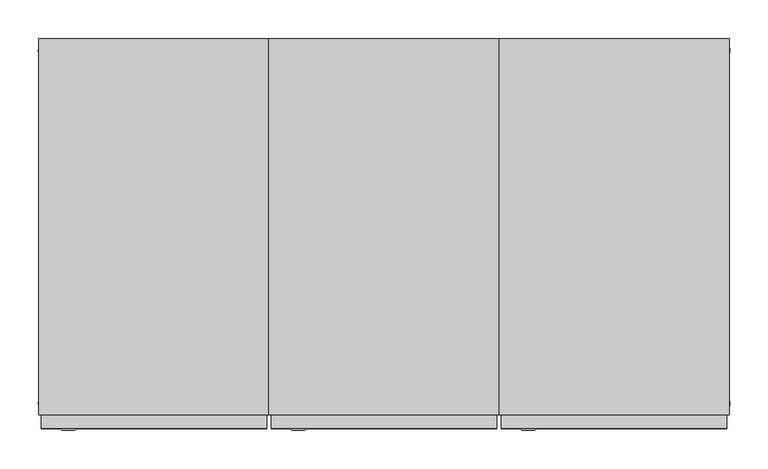
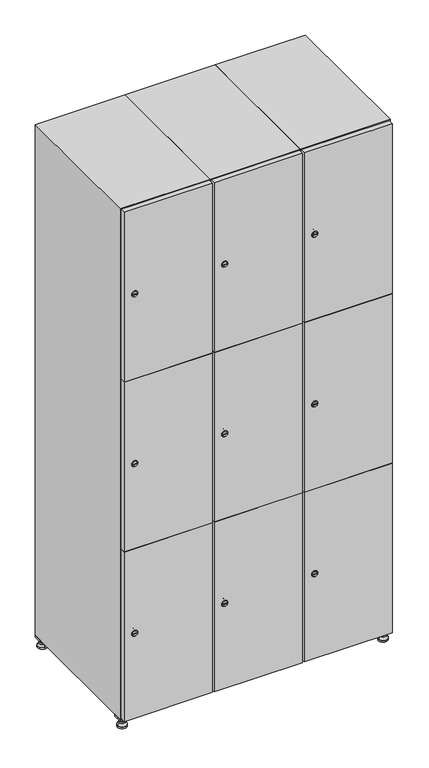
"""IFC4 building model written with IfcOpenShell, lengths in millimetres: furniture geometry."""

from ifc_helpers import new_model, si_unit, point, frame, frame_2d, origin, origin_with_axes, place, context, project, spatial, polyline, circle_curve, trimmed, segment, composite_curve, outline, extrude, faceted_brep, source, transform, mapped, element, save
from ifc_brep_helpers import plane_surface, revolved_surface, advanced_brep


def furniture_04946caf(model_context):
    return source(origin(), model_context, "Body", "SolidModel", [
        extrude(outline(polyline([(700.0, 245.0), (700.0, 215.0), (670.0, 215.0), (670.0, 245.0), (700.0, 245.0)]), holes=[polyline([(698.0, 243.0), (672.0, 243.0), (672.0, 217.0), (698.0, 217.0), (698.0, 243.0)])]), frame((0.0, 0.0, 28.5), z_axis=(0.0, 0.0, 1.0), x_axis=(1.0, 0.0, 0.0)), (0.0, 0.0, 1.0), 6.5),
        extrude(outline(polyline([(670.0, -245.0), (670.0, -215.0), (700.0, -215.0), (700.0, -245.0), (670.0, -245.0)]), holes=[polyline([(672.0, -243.0), (698.0, -243.0), (698.0, -217.0), (672.0, -217.0), (672.0, -243.0)])]), frame((0.0, 0.0, 28.5), z_axis=(0.0, 0.0, 1.0), x_axis=(1.0, 0.0, 0.0)), (0.0, 0.0, 1.0), 6.5),
        extrude(outline(polyline([(-170.0, 245.0), (-170.0, 215.0), (-200.0, 215.0), (-200.0, 245.0), (-170.0, 245.0)]), holes=[polyline([(-172.0, 243.0), (-198.0, 243.0), (-198.0, 217.0), (-172.0, 217.0), (-172.0, 243.0)])]), frame((0.0, 0.0, 28.5), z_axis=(0.0, 0.0, 1.0), x_axis=(1.0, 0.0, 0.0)), (0.0, 0.0, 1.0), 6.5),
        extrude(outline(polyline([(-170.0, -215.0), (-170.0, -245.0), (-200.0, -245.0), (-200.0, -215.0), (-170.0, -215.0)]), holes=[polyline([(-198.0, -243.0), (-172.0, -243.0), (-172.0, -217.0), (-198.0, -217.0), (-198.0, -243.0)])]), frame((0.0, 0.0, 28.5), z_axis=(0.0, 0.0, 1.0), x_axis=(1.0, 0.0, 0.0)), (0.0, 0.0, 1.0), 6.5),
        extrude(outline(composite_curve([segment(trimmed(circle_curve(frame_2d((-185.0, 230.0)), 5.0), [point((-180.0, 230.0))], [point((-190.0, 230.0))], False, "CARTESIAN"), True, "CONTINUOUS"), segment(trimmed(circle_curve(frame_2d((-185.0, 230.0)), 5.0), [point((-190.0, 230.0))], [point((-180.0, 230.0))], False, "CARTESIAN"), True, "CONTINUOUS")], self_intersect=False)), frame((0.0, 0.0, 19.6), z_axis=(0.0, 0.0, 1.0), x_axis=(1.0, 0.0, 0.0)), (0.0, 0.0, 1.0), 15.4),
        extrude(outline(composite_curve([segment(trimmed(circle_curve(frame_2d((-185.0, -230.0)), 5.0), [point((-180.0, -230.0))], [point((-190.0, -230.0))], False, "CARTESIAN"), True, "CONTINUOUS"), segment(trimmed(circle_curve(frame_2d((-185.0, -230.0)), 5.0), [point((-190.0, -230.0))], [point((-180.0, -230.0))], False, "CARTESIAN"), True, "CONTINUOUS")], self_intersect=False)), frame((0.0, 0.0, 19.6), z_axis=(0.0, 0.0, 1.0), x_axis=(1.0, 0.0, 0.0)), (0.0, 0.0, 1.0), 15.4),
        extrude(outline(composite_curve([segment(trimmed(circle_curve(frame_2d((685.0, 230.0)), 5.0), [point((690.0, 230.0))], [point((680.0, 230.0))], False, "CARTESIAN"), True, "CONTINUOUS"), segment(trimmed(circle_curve(frame_2d((685.0, 230.0)), 5.0), [point((680.0, 230.0))], [point((690.0, 230.0))], False, "CARTESIAN"), True, "CONTINUOUS")], self_intersect=False)), frame((0.0, 0.0, 19.6), z_axis=(0.0, 0.0, 1.0), x_axis=(1.0, 0.0, 0.0)), (0.0, 0.0, 1.0), 15.4),
        extrude(outline(polyline([(673.4529946, 230.0), (679.2264973, 240.0), (690.7735027, 240.0), (696.5470054, 230.0), (690.7735027, 220.0), (679.2264973, 220.0), (673.4529946, 230.0)])), frame((0.0, 0.0, 13.6), z_axis=(0.0, 0.0, 1.0), x_axis=(1.0, 0.0, 0.0)), (0.0, 0.0, 1.0), 6.0),
        extrude(outline(composite_curve([segment(trimmed(circle_curve(frame_2d((685.0, -230.0)), 5.0), [point((690.0, -230.0))], [point((680.0, -230.0))], False, "CARTESIAN"), True, "CONTINUOUS"), segment(trimmed(circle_curve(frame_2d((685.0, -230.0)), 5.0), [point((680.0, -230.0))], [point((690.0, -230.0))], False, "CARTESIAN"), True, "CONTINUOUS")], self_intersect=False)), frame((0.0, 0.0, 19.6), z_axis=(0.0, 0.0, 1.0), x_axis=(1.0, 0.0, 0.0)), (0.0, 0.0, 1.0), 15.4),
        extrude(outline(polyline([(673.4529946, -230.0), (679.2264973, -220.0), (690.7735027, -220.0), (696.5470054, -230.0), (690.7735027, -240.0), (679.2264973, -240.0), (673.4529946, -230.0)])), frame((0.0, 0.0, 13.6), z_axis=(0.0, 0.0, 1.0), x_axis=(1.0, 0.0, 0.0)), (0.0, 0.0, 1.0), 6.0),
        extrude(outline(composite_curve([segment(trimmed(circle_curve(frame_2d((685.0, 230.0)), 5.0), [point((690.0, 230.0))], [point((680.0, 230.0))], False, "CARTESIAN"), True, "CONTINUOUS"), segment(trimmed(circle_curve(frame_2d((685.0, 230.0)), 5.0), [point((680.0, 230.0))], [point((690.0, 230.0))], False, "CARTESIAN"), True, "CONTINUOUS")], self_intersect=False)), frame((0.0, 0.0, 12.1), z_axis=(0.0, 0.0, 1.0), x_axis=(1.0, 0.0, 0.0)), (0.0, 0.0, 1.0), 1.5),
        extrude(outline(composite_curve([segment(trimmed(circle_curve(frame_2d((685.0, -230.0)), 5.0), [point((690.0, -230.0))], [point((680.0, -230.0))], False, "CARTESIAN"), True, "CONTINUOUS"), segment(trimmed(circle_curve(frame_2d((685.0, -230.0)), 5.0), [point((680.0, -230.0))], [point((690.0, -230.0))], False, "CARTESIAN"), True, "CONTINUOUS")], self_intersect=False)), frame((0.0, 0.0, 12.1), z_axis=(0.0, 0.0, 1.0), x_axis=(1.0, 0.0, 0.0)), (0.0, 0.0, 1.0), 1.5),
        extrude(outline(polyline([(-196.5470054, 230.0), (-190.7735027, 240.0), (-179.2264973, 240.0), (-173.4529946, 230.0), (-179.2264973, 220.0), (-190.7735027, 220.0), (-196.5470054, 230.0)])), frame((0.0, 0.0, 13.6), z_axis=(0.0, 0.0, 1.0), x_axis=(1.0, 0.0, 0.0)), (0.0, 0.0, 1.0), 6.0),
        extrude(outline(polyline([(-196.5470054, -230.0), (-190.7735027, -220.0), (-179.2264973, -220.0), (-173.4529946, -230.0), (-179.2264973, -240.0), (-190.7735027, -240.0), (-196.5470054, -230.0)])), frame((0.0, 0.0, 13.6), z_axis=(0.0, 0.0, 1.0), x_axis=(1.0, 0.0, 0.0)), (0.0, 0.0, 1.0), 6.0),
        extrude(outline(composite_curve([segment(trimmed(circle_curve(frame_2d((-185.0, 230.0)), 5.0), [point((-185.0, 235.0))], [point((-185.0, 225.0))], False, "CARTESIAN"), True, "CONTINUOUS"), segment(trimmed(circle_curve(frame_2d((-185.0, 230.0)), 5.0), [point((-185.0, 225.0))], [point((-185.0, 235.0))], False, "CARTESIAN"), True, "CONTINUOUS")], self_intersect=False)), frame((0.0, 0.0, 12.1), z_axis=(0.0, 0.0, 1.0), x_axis=(1.0, 0.0, 0.0)), (0.0, 0.0, 1.0), 1.5),
        extrude(outline(composite_curve([segment(trimmed(circle_curve(frame_2d((-185.0, -230.0)), 5.0), [point((-180.0, -230.0))], [point((-190.0, -230.0))], False, "CARTESIAN"), True, "CONTINUOUS"), segment(trimmed(circle_curve(frame_2d((-185.0, -230.0)), 5.0), [point((-190.0, -230.0))], [point((-180.0, -230.0))], False, "CARTESIAN"), True, "CONTINUOUS")], self_intersect=False)), frame((0.0, 0.0, 12.1), z_axis=(0.0, 0.0, 1.0), x_axis=(1.0, 0.0, 0.0)), (0.0, 0.0, 1.0), 1.5),
        extrude(outline(composite_curve([segment(trimmed(circle_curve(frame_2d((685.0, 230.0)), 15.75), [point((700.75, 230.0))], [point((669.25, 230.0))], False, "CARTESIAN"), True, "CONTINUOUS"), segment(trimmed(circle_curve(frame_2d((685.0, 230.0)), 15.75), [point((669.25, 230.0))], [point((700.75, 230.0))], False, "CARTESIAN"), True, "CONTINUOUS")], self_intersect=False)), origin_with_axes(), (0.0, 0.0, 1.0), 5.1),
        extrude(outline(composite_curve([segment(trimmed(circle_curve(frame_2d((685.0, -230.0)), 15.75), [point((685.0, -214.25))], [point((685.0, -245.75))], False, "CARTESIAN"), True, "CONTINUOUS"), segment(trimmed(circle_curve(frame_2d((685.0, -230.0)), 15.75), [point((685.0, -245.75))], [point((685.0, -214.25))], False, "CARTESIAN"), True, "CONTINUOUS")], self_intersect=False)), origin_with_axes(), (0.0, 0.0, 1.0), 5.1),
        extrude(outline(composite_curve([segment(trimmed(circle_curve(frame_2d((-185.0, -230.0)), 15.75), [point((-169.25, -230.0))], [point((-200.75, -230.0))], False, "CARTESIAN"), True, "CONTINUOUS"), segment(trimmed(circle_curve(frame_2d((-185.0, -230.0)), 15.75), [point((-200.75, -230.0))], [point((-169.25, -230.0))], False, "CARTESIAN"), True, "CONTINUOUS")], self_intersect=False)), origin_with_axes(), (0.0, 0.0, 1.0), 5.1),
        extrude(outline(composite_curve([segment(trimmed(circle_curve(frame_2d((-185.0, 230.0)), 15.75), [point((-169.25, 230.0))], [point((-200.75, 230.0))], False, "CARTESIAN"), True, "CONTINUOUS"), segment(trimmed(circle_curve(frame_2d((-185.0, 230.0)), 15.75), [point((-200.75, 230.0))], [point((-169.25, 230.0))], False, "CARTESIAN"), True, "CONTINUOUS")], self_intersect=False)), origin_with_axes(), (0.0, 0.0, 1.0), 5.1),
        advanced_brep(
        [(-185.0, 239.5, 12.1), (-185.0, 220.5, 12.1), (-185.0, 214.25, 5.1), (-185.0, 245.75, 5.1)],
        [
            (0, 1, circle_curve(frame((-185.0, 230.0, 12.1), z_axis=(0.0, 0.0, -1.0), x_axis=(0.0, 1.0, 0.0)), 9.5)),
            (1, 2),
            (2, 3, circle_curve(frame((-185.0, 230.0, 5.1), z_axis=(0.0, 0.0, 1.0), x_axis=(0.0, 1.0, 0.0)), 15.75)),
            (3, 0),
            (1, 0, circle_curve(frame((-185.0, 230.0, 12.1), z_axis=(0.0, 0.0, -1.0), x_axis=(0.0, -1.0, 0.0)), 9.5)),
            (3, 2, circle_curve(frame((-185.0, 230.0, 5.1), z_axis=(0.0, 0.0, 1.0), x_axis=(0.0, -1.0, 0.0)), 15.75)),
        ],
        [
            revolved_surface(polyline([(-185.0, 220.5, 12.099999999999998), (-185.0, 214.25, 5.099999999999998)]), (-185.0, 230.0, 22.74), (0.0, 0.0, -1.0)),
            revolved_surface(polyline([(-185.0, 239.5, 12.099999999999998), (-185.0, 245.75, 5.099999999999998)]), (-185.0, 230.0, 22.74), (0.0, 0.0, -1.0)),
            plane_surface(frame((-185.0, 230.0, 5.1), z_axis=(0.0, 0.0, -1.0), x_axis=(1.0, 0.0, 0.0))),
            plane_surface(frame((-185.0, 230.0, 12.1), z_axis=(0.0, 0.0, 1.0), x_axis=(1.0, 0.0, 0.0))),
        ],
        [
            (0, [[1, 2, 3, 4]]),
            (1, [[5, -4, 6, -2]]),
            (2, [[-3, -6]]),
            (3, [[-5, -1]]),
        ],
    ),
        advanced_brep(
        [(685.0, 239.5, 12.1), (685.0, 220.5, 12.1), (685.0, 214.25, 5.1), (685.0, 245.75, 5.1)],
        [
            (0, 1, circle_curve(frame((685.0, 230.0, 12.1), z_axis=(0.0, 0.0, -1.0), x_axis=(0.0, 1.0, 0.0)), 9.5)),
            (1, 2),
            (2, 3, circle_curve(frame((685.0, 230.0, 5.1), z_axis=(0.0, 0.0, 1.0), x_axis=(0.0, 1.0, 0.0)), 15.75)),
            (3, 0),
            (1, 0, circle_curve(frame((685.0, 230.0, 12.1), z_axis=(0.0, 0.0, -1.0), x_axis=(0.0, -1.0, 0.0)), 9.5)),
            (3, 2, circle_curve(frame((685.0, 230.0, 5.1), z_axis=(0.0, 0.0, 1.0), x_axis=(0.0, -1.0, 0.0)), 15.75)),
        ],
        [
            revolved_surface(polyline([(685.0, 220.5, 12.099999999999998), (685.0, 214.25, 5.099999999999998)]), (685.0, 230.0, 22.74), (0.0, 0.0, -1.0)),
            revolved_surface(polyline([(685.0, 239.5, 12.099999999999998), (685.0, 245.75, 5.099999999999998)]), (685.0, 230.0, 22.74), (0.0, 0.0, -1.0)),
            plane_surface(frame((685.0, 230.0, 5.1), z_axis=(0.0, 0.0, -1.0), x_axis=(1.0, 0.0, 0.0))),
            plane_surface(frame((685.0, 230.0, 12.1), z_axis=(0.0, 0.0, 1.0), x_axis=(1.0, 0.0, 0.0))),
        ],
        [
            (0, [[1, 2, 3, 4]]),
            (1, [[5, -4, 6, -2]]),
            (2, [[-3, -6]]),
            (3, [[-5, -1]]),
        ],
    ),
        advanced_brep(
        [(700.75, -230.0, 5.1), (669.25, -230.0, 5.1), (675.5, -230.0, 12.1), (694.5, -230.0, 12.1)],
        [
            (0, 1, circle_curve(frame((685.0, -230.0, 5.1), z_axis=(0.0, 0.0, 1.0), x_axis=(1.0, 0.0, 0.0)), 15.75)),
            (1, 2),
            (2, 3, circle_curve(frame((685.0, -230.0, 12.1), z_axis=(0.0, 0.0, -1.0), x_axis=(1.0, 0.0, 0.0)), 9.5)),
            (3, 0),
            (1, 0, circle_curve(frame((685.0, -230.0, 5.1), z_axis=(0.0, 0.0, 1.0), x_axis=(-1.0, 0.0, 0.0)), 15.75)),
            (3, 2, circle_curve(frame((685.0, -230.0, 12.1), z_axis=(0.0, 0.0, -1.0), x_axis=(-1.0, 0.0, 0.0)), 9.5)),
        ],
        [
            revolved_surface(polyline([(694.5, -230.0, 12.099999999999998), (700.75, -230.0, 5.099999999999998)]), (685.0, -230.0, 22.74), (0.0, 0.0, -1.0)),
            revolved_surface(polyline([(675.5, -230.0, 12.099999999999998), (669.25, -230.0, 5.099999999999998)]), (685.0, -230.0, 22.74), (0.0, 0.0, -1.0)),
            plane_surface(frame((685.0, -230.0, 12.1), z_axis=(0.0, 0.0, 1.0), x_axis=(0.0, 1.0, 0.0))),
            plane_surface(frame((685.0, -230.0, 5.1), z_axis=(0.0, 0.0, -1.0), x_axis=(0.0, 1.0, 0.0))),
        ],
        [
            (0, [[1, 2, 3, 4]]),
            (1, [[5, -4, 6, -2]]),
            (2, [[-3, -6]]),
            (3, [[-5, -1]]),
        ],
    ),
        advanced_brep(
        [(-169.25, -230.0, 5.1), (-200.75, -230.0, 5.1), (-194.5, -230.0, 12.1), (-175.5, -230.0, 12.1)],
        [
            (0, 1, circle_curve(frame((-185.0, -230.0, 5.1), z_axis=(0.0, 0.0, 1.0), x_axis=(1.0, 0.0, 0.0)), 15.75)),
            (1, 2),
            (2, 3, circle_curve(frame((-185.0, -230.0, 12.1), z_axis=(0.0, 0.0, -1.0), x_axis=(1.0, 0.0, 0.0)), 9.5)),
            (3, 0),
            (1, 0, circle_curve(frame((-185.0, -230.0, 5.1), z_axis=(0.0, 0.0, 1.0), x_axis=(-1.0, 0.0, 0.0)), 15.75)),
            (3, 2, circle_curve(frame((-185.0, -230.0, 12.1), z_axis=(0.0, 0.0, -1.0), x_axis=(-1.0, 0.0, 0.0)), 9.5)),
        ],
        [
            revolved_surface(polyline([(-175.5, -230.0, 12.099999999999998), (-169.25, -230.0, 5.099999999999998)]), (-185.0, -230.0, 22.74), (0.0, 0.0, -1.0)),
            revolved_surface(polyline([(-194.5, -230.0, 12.099999999999998), (-200.75, -230.0, 5.099999999999998)]), (-185.0, -230.0, 22.74), (0.0, 0.0, -1.0)),
            plane_surface(frame((-185.0, -230.0, 12.1), z_axis=(0.0, 0.0, 1.0), x_axis=(0.0, 1.0, 0.0))),
            plane_surface(frame((-185.0, -230.0, 5.1), z_axis=(0.0, 0.0, -1.0), x_axis=(0.0, 1.0, 0.0))),
        ],
        [
            (0, [[1, 2, 3, 4]]),
            (1, [[5, -4, 6, -2]]),
            (2, [[-3, -6]]),
            (3, [[-5, -1]]),
        ],
    ),
        extrude(outline(composite_curve([segment(trimmed(circle_curve(frame_2d((337.0, 411.2010534)), 7.0), [point((344.0, 411.2010534))], [point((330.0, 411.2010534))], False, "CARTESIAN"), True, "CONTINUOUS"), segment(polyline([(330.0, 411.2010534), (330.0, 439.2010534)]), True, "CONTINUOUS"), segment(trimmed(circle_curve(frame_2d((337.0, 439.2010534)), 7.0), [point((330.0, 439.2010534))], [point((344.0, 439.2010534))], False, "CARTESIAN"), True, "CONTINUOUS"), segment(polyline([(344.0, 439.2010534), (344.0, 411.2010534)]), True, "CONTINUOUS")], self_intersect=False)), frame((0.0, -245.0, 0.0), z_axis=(0.0, 1.0, 0.0), x_axis=(0.0, 0.0, 1.0)), (0.0, 0.0, 1.0), 2.0),
        advanced_brep(
        [(446.5, -265.2, 337.0), (429.5, -265.2, 337.0), (433.0, -265.2, 335.75), (433.0, -265.2, 338.25), (443.0, -265.2, 338.25), (443.0, -265.2, 335.75), (448.5, -263.0, 337.0), (427.5, -263.0, 337.0), (433.0, -263.0, 338.25), (433.0, -263.0, 335.75), (443.0, -263.0, 335.75), (443.0, -263.0, 338.25)],
        [
            (0, 1, circle_curve(frame((438.0, -265.2, 337.0), z_axis=(0.0, -1.0, 0.0), x_axis=(1.0, 0.0, 0.0)), 8.5)),
            (1, 0, circle_curve(frame((438.0, -265.2, 337.0), z_axis=(0.0, -1.0, 0.0), x_axis=(-1.0, 0.0, 0.0)), 8.5)),
            (2, 3),
            (3, 4),
            (4, 5),
            (5, 2),
            (6, 7, circle_curve(frame((438.0, -263.0, 337.0), z_axis=(0.0, 1.0, 0.0), x_axis=(-1.0, 0.0, 0.0)), 10.5)),
            (7, 6, circle_curve(frame((438.0, -263.0, 337.0), z_axis=(0.0, 1.0, 0.0), x_axis=(1.0, 0.0, 0.0)), 10.5)),
            (8, 9),
            (9, 10),
            (10, 11),
            (11, 8),
            (0, 6),
            (7, 1),
            (8, 3),
            (2, 9),
            (11, 4),
            (10, 5),
        ],
        [
            plane_surface(frame((438.0, -265.2, 337.0), z_axis=(0.0, -1.0, 0.0), x_axis=(0.0, 0.0, 1.0))),
            plane_surface(frame((438.0, -263.0, 337.0), z_axis=(0.0, 1.0, 0.0), x_axis=(0.0, 0.0, 1.0))),
            revolved_surface(polyline([(446.5, -265.2, 337.0), (448.5, -263.0, 337.0)]), (438.0, -274.55, 337.0), (0.0, 1.0, 0.0)),
            revolved_surface(polyline([(429.5, -265.2, 337.0), (427.5, -263.0, 337.0)]), (438.0, -274.55, 337.0), (0.0, 1.0, 0.0)),
            plane_surface(frame((433.0, -263.0, 335.75), z_axis=(1.0, 0.0, 0.0), x_axis=(0.0, -1.0, 0.0))),
            plane_surface(frame((433.0, -263.0, 338.25), z_axis=(0.0, 0.0, -1.0), x_axis=(0.0, -1.0, 0.0))),
            plane_surface(frame((443.0, -263.0, 338.25), z_axis=(-1.0, 0.0, 0.0), x_axis=(0.0, -1.0, 0.0))),
            plane_surface(frame((443.0, -263.0, 335.75), z_axis=(0.0, 0.0, 1.0), x_axis=(0.0, -1.0, 0.0))),
        ],
        [
            (0, [[1, 2], [3, 4, 5, 6]]),
            (1, [[7, 8], [9, 10, 11, 12]]),
            (2, [[-1, 13, -8, 14]]),
            (3, [[-2, -14, -7, -13]]),
            (4, [[15, -3, 16, -9]]),
            (5, [[-15, -12, 17, -4]]),
            (6, [[-17, -11, 18, -5]]),
            (7, [[-16, -6, -18, -10]]),
        ],
    ),
        extrude(outline(composite_curve([segment(trimmed(circle_curve(frame_2d((935.0, 411.2010534)), 7.0), [point((942.0, 411.2010534))], [point((928.0, 411.2010534))], False, "CARTESIAN"), True, "CONTINUOUS"), segment(polyline([(928.0, 411.2010534), (928.0, 439.2010534)]), True, "CONTINUOUS"), segment(trimmed(circle_curve(frame_2d((935.0, 439.2010534)), 7.0), [point((928.0, 439.2010534))], [point((942.0, 439.2010534))], False, "CARTESIAN"), True, "CONTINUOUS"), segment(polyline([(942.0, 439.2010534), (942.0, 411.2010534)]), True, "CONTINUOUS")], self_intersect=False)), frame((0.0, -245.0, 0.0), z_axis=(0.0, 1.0, 0.0), x_axis=(0.0, 0.0, 1.0)), (0.0, 0.0, 1.0), 2.0),
        advanced_brep(
        [(446.5, -265.2, 935.0), (429.5, -265.2, 935.0), (433.0, -265.2, 933.75), (433.0, -265.2, 936.25), (443.0, -265.2, 936.25), (443.0, -265.2, 933.75), (448.5, -263.0, 935.0), (427.5, -263.0, 935.0), (433.0, -263.0, 936.25), (433.0, -263.0, 933.75), (443.0, -263.0, 933.75), (443.0, -263.0, 936.25)],
        [
            (0, 1, circle_curve(frame((438.0, -265.2, 935.0), z_axis=(0.0, -1.0, 0.0), x_axis=(1.0, 0.0, 0.0)), 8.5)),
            (1, 0, circle_curve(frame((438.0, -265.2, 935.0), z_axis=(0.0, -1.0, 0.0), x_axis=(-1.0, 0.0, 0.0)), 8.5)),
            (2, 3),
            (3, 4),
            (4, 5),
            (5, 2),
            (6, 7, circle_curve(frame((438.0, -263.0, 935.0), z_axis=(0.0, 1.0, 0.0), x_axis=(-1.0, 0.0, 0.0)), 10.5)),
            (7, 6, circle_curve(frame((438.0, -263.0, 935.0), z_axis=(0.0, 1.0, 0.0), x_axis=(1.0, 0.0, 0.0)), 10.5)),
            (8, 9),
            (9, 10),
            (10, 11),
            (11, 8),
            (0, 6),
            (7, 1),
            (8, 3),
            (2, 9),
            (11, 4),
            (10, 5),
        ],
        [
            plane_surface(frame((438.0, -265.2, 935.0), z_axis=(0.0, -1.0, 0.0), x_axis=(0.0, 0.0, 1.0))),
            plane_surface(frame((438.0, -263.0, 935.0), z_axis=(0.0, 1.0, 0.0), x_axis=(0.0, 0.0, 1.0))),
            revolved_surface(polyline([(446.5, -265.2, 935.0), (448.5, -263.0, 935.0)]), (438.0, -274.55, 935.0), (0.0, 1.0, 0.0)),
            revolved_surface(polyline([(429.5, -265.2, 935.0), (427.5, -263.0, 935.0)]), (438.0, -274.55, 935.0), (0.0, 1.0, 0.0)),
            plane_surface(frame((433.0, -263.0, 933.75), z_axis=(1.0, 0.0, 0.0), x_axis=(0.0, -1.0, 0.0))),
            plane_surface(frame((433.0, -263.0, 936.25), z_axis=(0.0, 0.0, -1.0), x_axis=(0.0, -1.0, 0.0))),
            plane_surface(frame((443.0, -263.0, 936.25), z_axis=(-1.0, 0.0, 0.0), x_axis=(0.0, -1.0, 0.0))),
            plane_surface(frame((443.0, -263.0, 933.75), z_axis=(0.0, 0.0, 1.0), x_axis=(0.0, -1.0, 0.0))),
        ],
        [
            (0, [[1, 2], [3, 4, 5, 6]]),
            (1, [[7, 8], [9, 10, 11, 12]]),
            (2, [[-1, 13, -8, 14]]),
            (3, [[-2, -14, -7, -13]]),
            (4, [[15, -3, 16, -9]]),
            (5, [[-15, -12, 17, -4]]),
            (6, [[-17, -11, 18, -5]]),
            (7, [[-16, -6, -18, -10]]),
        ],
    ),
        extrude(outline(composite_curve([segment(trimmed(circle_curve(frame_2d((1533.0, 411.2010534)), 7.0), [point((1540.0, 411.2010534))], [point((1526.0, 411.2010534))], False, "CARTESIAN"), True, "CONTINUOUS"), segment(polyline([(1526.0, 411.2010534), (1526.0, 439.2010534)]), True, "CONTINUOUS"), segment(trimmed(circle_curve(frame_2d((1533.0, 439.2010534)), 7.0), [point((1526.0, 439.2010534))], [point((1540.0, 439.2010534))], False, "CARTESIAN"), True, "CONTINUOUS"), segment(polyline([(1540.0, 439.2010534), (1540.0, 411.2010534)]), True, "CONTINUOUS")], self_intersect=False)), frame((0.0, -245.0, 0.0), z_axis=(0.0, 1.0, 0.0), x_axis=(0.0, 0.0, 1.0)), (0.0, 0.0, 1.0), 2.0),
        advanced_brep(
        [(446.5, -265.2, 1533.0), (429.5, -265.2, 1533.0), (433.0, -265.2, 1531.75), (433.0, -265.2, 1534.25), (443.0, -265.2, 1534.25), (443.0, -265.2, 1531.75), (448.5, -263.0, 1533.0), (427.5, -263.0, 1533.0), (433.0, -263.0, 1534.25), (433.0, -263.0, 1531.75), (443.0, -263.0, 1531.75), (443.0, -263.0, 1534.25)],
        [
            (0, 1, circle_curve(frame((438.0, -265.2, 1533.0), z_axis=(0.0, -1.0, 0.0), x_axis=(1.0, 0.0, 0.0)), 8.5)),
            (1, 0, circle_curve(frame((438.0, -265.2, 1533.0), z_axis=(0.0, -1.0, 0.0), x_axis=(-1.0, 0.0, 0.0)), 8.5)),
            (2, 3),
            (3, 4),
            (4, 5),
            (5, 2),
            (6, 7, circle_curve(frame((438.0, -263.0, 1533.0), z_axis=(0.0, 1.0, 0.0), x_axis=(-1.0, 0.0, 0.0)), 10.5)),
            (7, 6, circle_curve(frame((438.0, -263.0, 1533.0), z_axis=(0.0, 1.0, 0.0), x_axis=(1.0, 0.0, 0.0)), 10.5)),
            (8, 9),
            (9, 10),
            (10, 11),
            (11, 8),
            (0, 6),
            (7, 1),
            (8, 3),
            (2, 9),
            (11, 4),
            (10, 5),
        ],
        [
            plane_surface(frame((438.0, -265.2, 1533.0), z_axis=(0.0, -1.0, 0.0), x_axis=(0.0, 0.0, 1.0))),
            plane_surface(frame((438.0, -263.0, 1533.0), z_axis=(0.0, 1.0, 0.0), x_axis=(0.0, 0.0, 1.0))),
            revolved_surface(polyline([(446.5, -265.2, 1533.0), (448.5, -263.0, 1533.0)]), (438.0, -274.55, 1533.0), (0.0, 1.0, 0.0)),
            revolved_surface(polyline([(429.5, -265.2, 1533.0), (427.5, -263.0, 1533.0)]), (438.0, -274.55, 1533.0), (0.0, 1.0, 0.0)),
            plane_surface(frame((433.0, -263.0, 1531.75), z_axis=(1.0, 0.0, 0.0), x_axis=(0.0, -1.0, 0.0))),
            plane_surface(frame((433.0, -263.0, 1534.25), z_axis=(0.0, 0.0, -1.0), x_axis=(0.0, -1.0, 0.0))),
            plane_surface(frame((443.0, -263.0, 1534.25), z_axis=(-1.0, 0.0, 0.0), x_axis=(0.0, -1.0, 0.0))),
            plane_surface(frame((443.0, -263.0, 1531.75), z_axis=(0.0, 0.0, 1.0), x_axis=(0.0, -1.0, 0.0))),
        ],
        [
            (0, [[1, 2], [3, 4, 5, 6]]),
            (1, [[7, 8], [9, 10, 11, 12]]),
            (2, [[-1, 13, -8, 14]]),
            (3, [[-2, -14, -7, -13]]),
            (4, [[15, -3, 16, -9]]),
            (5, [[-15, -12, 17, -4]]),
            (6, [[-17, -11, 18, -5]]),
            (7, [[-16, -6, -18, -10]]),
        ],
    ),
        extrude(outline(polyline([(697.0, -245.0), (697.0, -263.0), (403.0, -263.0), (403.0, -245.0), (697.0, -245.0)])), frame((0.0, 0.0, 636.5), z_axis=(0.0, 0.0, 1.0), x_axis=(1.0, 0.0, 0.0)), (0.0, 0.0, 1.0), 597.0),
        extrude(outline(polyline([(403.0, -263.0), (403.0, -245.0), (697.0, -245.0), (697.0, -263.0), (403.0, -263.0)])), frame((0.0, 0.0, 1234.5), z_axis=(0.0, 0.0, 1.0), x_axis=(1.0, 0.0, 0.0)), (0.0, 0.0, 1.0), 597.5),
        extrude(outline(polyline([(697.0, -245.0), (697.0, -263.0), (403.0, -263.0), (403.0, -245.0), (697.0, -245.0)])), frame((0.0, 0.0, 38.0), z_axis=(0.0, 0.0, 1.0), x_axis=(1.0, 0.0, 0.0)), (0.0, 0.0, 1.0), 597.5),
        extrude(outline(polyline([(679.6, 242.0), (679.6, -227.0), (420.4, -227.0), (420.4, 242.0), (679.6, 242.0)])), frame((0.0, 0.0, 1214.7333333), z_axis=(0.0, 0.0, 1.0), x_axis=(1.0, 0.0, 0.0)), (0.0, 0.0, 1.0), 20.4),
        extrude(outline(polyline([(420.4, 242.0), (679.6, 242.0), (679.6, -227.0), (420.4, -227.0), (420.4, 242.0)])), frame((0.0, 0.0, 634.8666667), z_axis=(0.0, 0.0, 1.0), x_axis=(1.0, 0.0, 0.0)), (0.0, 0.0, 1.0), 20.4),
        faceted_brep([(700.0, -245.0, 35.0), (700.0, -245.0, 1835.0), (400.0, -245.0, 1835.0), (400.0, -245.0, 35.0), (679.6, -245.0, 1804.8), (679.6, -245.0, 65.2), (420.4, -245.0, 65.2), (420.4, -245.0, 1804.8), (700.0, 245.0, 35.0), (400.0, 245.0, 35.0), (700.0, 245.0, 1835.0), (400.0, 245.0, 1835.0), (679.6, 242.0, 1804.8), (679.6, 242.0, 65.2), (400.0, 245.0, 1804.8), (420.4, 242.0, 1804.8), (420.4, 242.0, 65.2)], [[[0, 1, 2, 3], [4, 5, 6, 7]], [[8, 0, 3, 9]], [[1, 0, 8, 10]], [[1, 10, 11, 2]], [[4, 12, 13, 5]], [[9, 3, 2, 11, 14]], [[10, 8, 9, 14, 11]], [[12, 15, 16, 13]], [[15, 7, 6, 16]], [[4, 7, 15, 12]], [[6, 5, 13, 16]]]),
        extrude(outline(composite_curve([segment(trimmed(circle_curve(frame_2d((337.0, 111.2010534)), 7.0), [point((344.0, 111.2010534))], [point((330.0, 111.2010534))], False, "CARTESIAN"), True, "CONTINUOUS"), segment(polyline([(330.0, 111.2010534), (330.0, 139.2010534)]), True, "CONTINUOUS"), segment(trimmed(circle_curve(frame_2d((337.0, 139.2010534)), 7.0), [point((330.0, 139.2010534))], [point((344.0, 139.2010534))], False, "CARTESIAN"), True, "CONTINUOUS"), segment(polyline([(344.0, 139.2010534), (344.0, 111.2010534)]), True, "CONTINUOUS")], self_intersect=False)), frame((0.0, -245.0, 0.0), z_axis=(0.0, 1.0, 0.0), x_axis=(0.0, 0.0, 1.0)), (0.0, 0.0, 1.0), 2.0),
        advanced_brep(
        [(146.5, -265.2, 337.0), (129.5, -265.2, 337.0), (133.0, -265.2, 335.75), (133.0, -265.2, 338.25), (143.0, -265.2, 338.25), (143.0, -265.2, 335.75), (148.5, -263.0, 337.0), (127.5, -263.0, 337.0), (133.0, -263.0, 338.25), (133.0, -263.0, 335.75), (143.0, -263.0, 335.75), (143.0, -263.0, 338.25)],
        [
            (0, 1, circle_curve(frame((138.0, -265.2, 337.0), z_axis=(0.0, -1.0, 0.0), x_axis=(1.0, 0.0, 0.0)), 8.5)),
            (1, 0, circle_curve(frame((138.0, -265.2, 337.0), z_axis=(0.0, -1.0, 0.0), x_axis=(-1.0, 0.0, 0.0)), 8.5)),
            (2, 3),
            (3, 4),
            (4, 5),
            (5, 2),
            (6, 7, circle_curve(frame((138.0, -263.0, 337.0), z_axis=(0.0, 1.0, 0.0), x_axis=(-1.0, 0.0, 0.0)), 10.5)),
            (7, 6, circle_curve(frame((138.0, -263.0, 337.0), z_axis=(0.0, 1.0, 0.0), x_axis=(1.0, 0.0, 0.0)), 10.5)),
            (8, 9),
            (9, 10),
            (10, 11),
            (11, 8),
            (0, 6),
            (7, 1),
            (8, 3),
            (2, 9),
            (11, 4),
            (10, 5),
        ],
        [
            plane_surface(frame((138.0, -265.2, 337.0), z_axis=(0.0, -1.0, 0.0), x_axis=(0.0, 0.0, 1.0))),
            plane_surface(frame((138.0, -263.0, 337.0), z_axis=(0.0, 1.0, 0.0), x_axis=(0.0, 0.0, 1.0))),
            revolved_surface(polyline([(146.5, -265.2, 337.0), (148.5, -263.0, 337.0)]), (138.0, -274.55, 337.0), (0.0, 1.0, 0.0)),
            revolved_surface(polyline([(129.5, -265.2, 337.0), (127.5, -263.0, 337.0)]), (138.0, -274.55, 337.0), (0.0, 1.0, 0.0)),
            plane_surface(frame((133.0, -263.0, 335.75), z_axis=(1.0, 0.0, 0.0), x_axis=(0.0, -1.0, 0.0))),
            plane_surface(frame((133.0, -263.0, 338.25), z_axis=(0.0, 0.0, -1.0), x_axis=(0.0, -1.0, 0.0))),
            plane_surface(frame((143.0, -263.0, 338.25), z_axis=(-1.0, 0.0, 0.0), x_axis=(0.0, -1.0, 0.0))),
            plane_surface(frame((143.0, -263.0, 335.75), z_axis=(0.0, 0.0, 1.0), x_axis=(0.0, -1.0, 0.0))),
        ],
        [
            (0, [[1, 2], [3, 4, 5, 6]]),
            (1, [[7, 8], [9, 10, 11, 12]]),
            (2, [[-1, 13, -8, 14]]),
            (3, [[-2, -14, -7, -13]]),
            (4, [[15, -3, 16, -9]]),
            (5, [[-15, -12, 17, -4]]),
            (6, [[-17, -11, 18, -5]]),
            (7, [[-16, -6, -18, -10]]),
        ],
    ),
        extrude(outline(composite_curve([segment(trimmed(circle_curve(frame_2d((935.0, 111.2010534)), 7.0), [point((942.0, 111.2010534))], [point((928.0, 111.2010534))], False, "CARTESIAN"), True, "CONTINUOUS"), segment(polyline([(928.0, 111.2010534), (928.0, 139.2010534)]), True, "CONTINUOUS"), segment(trimmed(circle_curve(frame_2d((935.0, 139.2010534)), 7.0), [point((928.0, 139.2010534))], [point((942.0, 139.2010534))], False, "CARTESIAN"), True, "CONTINUOUS"), segment(polyline([(942.0, 139.2010534), (942.0, 111.2010534)]), True, "CONTINUOUS")], self_intersect=False)), frame((0.0, -245.0, 0.0), z_axis=(0.0, 1.0, 0.0), x_axis=(0.0, 0.0, 1.0)), (0.0, 0.0, 1.0), 2.0),
        advanced_brep(
        [(146.5, -265.2, 935.0), (129.5, -265.2, 935.0), (133.0, -265.2, 933.75), (133.0, -265.2, 936.25), (143.0, -265.2, 936.25), (143.0, -265.2, 933.75), (148.5, -263.0, 935.0), (127.5, -263.0, 935.0), (133.0, -263.0, 936.25), (133.0, -263.0, 933.75), (143.0, -263.0, 933.75), (143.0, -263.0, 936.25)],
        [
            (0, 1, circle_curve(frame((138.0, -265.2, 935.0), z_axis=(0.0, -1.0, 0.0), x_axis=(1.0, 0.0, 0.0)), 8.5)),
            (1, 0, circle_curve(frame((138.0, -265.2, 935.0), z_axis=(0.0, -1.0, 0.0), x_axis=(-1.0, 0.0, 0.0)), 8.5)),
            (2, 3),
            (3, 4),
            (4, 5),
            (5, 2),
            (6, 7, circle_curve(frame((138.0, -263.0, 935.0), z_axis=(0.0, 1.0, 0.0), x_axis=(-1.0, 0.0, 0.0)), 10.5)),
            (7, 6, circle_curve(frame((138.0, -263.0, 935.0), z_axis=(0.0, 1.0, 0.0), x_axis=(1.0, 0.0, 0.0)), 10.5)),
            (8, 9),
            (9, 10),
            (10, 11),
            (11, 8),
            (0, 6),
            (7, 1),
            (8, 3),
            (2, 9),
            (11, 4),
            (10, 5),
        ],
        [
            plane_surface(frame((138.0, -265.2, 935.0), z_axis=(0.0, -1.0, 0.0), x_axis=(0.0, 0.0, 1.0))),
            plane_surface(frame((138.0, -263.0, 935.0), z_axis=(0.0, 1.0, 0.0), x_axis=(0.0, 0.0, 1.0))),
            revolved_surface(polyline([(146.5, -265.2, 935.0), (148.5, -263.0, 935.0)]), (138.0, -274.55, 935.0), (0.0, 1.0, 0.0)),
            revolved_surface(polyline([(129.5, -265.2, 935.0), (127.5, -263.0, 935.0)]), (138.0, -274.55, 935.0), (0.0, 1.0, 0.0)),
            plane_surface(frame((133.0, -263.0, 933.75), z_axis=(1.0, 0.0, 0.0), x_axis=(0.0, -1.0, 0.0))),
            plane_surface(frame((133.0, -263.0, 936.25), z_axis=(0.0, 0.0, -1.0), x_axis=(0.0, -1.0, 0.0))),
            plane_surface(frame((143.0, -263.0, 936.25), z_axis=(-1.0, 0.0, 0.0), x_axis=(0.0, -1.0, 0.0))),
            plane_surface(frame((143.0, -263.0, 933.75), z_axis=(0.0, 0.0, 1.0), x_axis=(0.0, -1.0, 0.0))),
        ],
        [
            (0, [[1, 2], [3, 4, 5, 6]]),
            (1, [[7, 8], [9, 10, 11, 12]]),
            (2, [[-1, 13, -8, 14]]),
            (3, [[-2, -14, -7, -13]]),
            (4, [[15, -3, 16, -9]]),
            (5, [[-15, -12, 17, -4]]),
            (6, [[-17, -11, 18, -5]]),
            (7, [[-16, -6, -18, -10]]),
        ],
    ),
        extrude(outline(composite_curve([segment(trimmed(circle_curve(frame_2d((1533.0, 111.2010534)), 7.0), [point((1540.0, 111.2010534))], [point((1526.0, 111.2010534))], False, "CARTESIAN"), True, "CONTINUOUS"), segment(polyline([(1526.0, 111.2010534), (1526.0, 139.2010534)]), True, "CONTINUOUS"), segment(trimmed(circle_curve(frame_2d((1533.0, 139.2010534)), 7.0), [point((1526.0, 139.2010534))], [point((1540.0, 139.2010534))], False, "CARTESIAN"), True, "CONTINUOUS"), segment(polyline([(1540.0, 139.2010534), (1540.0, 111.2010534)]), True, "CONTINUOUS")], self_intersect=False)), frame((0.0, -245.0, 0.0), z_axis=(0.0, 1.0, 0.0), x_axis=(0.0, 0.0, 1.0)), (0.0, 0.0, 1.0), 2.0),
        advanced_brep(
        [(146.5, -265.2, 1533.0), (129.5, -265.2, 1533.0), (133.0, -265.2, 1531.75), (133.0, -265.2, 1534.25), (143.0, -265.2, 1534.25), (143.0, -265.2, 1531.75), (148.5, -263.0, 1533.0), (127.5, -263.0, 1533.0), (133.0, -263.0, 1534.25), (133.0, -263.0, 1531.75), (143.0, -263.0, 1531.75), (143.0, -263.0, 1534.25)],
        [
            (0, 1, circle_curve(frame((138.0, -265.2, 1533.0), z_axis=(0.0, -1.0, 0.0), x_axis=(1.0, 0.0, 0.0)), 8.5)),
            (1, 0, circle_curve(frame((138.0, -265.2, 1533.0), z_axis=(0.0, -1.0, 0.0), x_axis=(-1.0, 0.0, 0.0)), 8.5)),
            (2, 3),
            (3, 4),
            (4, 5),
            (5, 2),
            (6, 7, circle_curve(frame((138.0, -263.0, 1533.0), z_axis=(0.0, 1.0, 0.0), x_axis=(-1.0, 0.0, 0.0)), 10.5)),
            (7, 6, circle_curve(frame((138.0, -263.0, 1533.0), z_axis=(0.0, 1.0, 0.0), x_axis=(1.0, 0.0, 0.0)), 10.5)),
            (8, 9),
            (9, 10),
            (10, 11),
            (11, 8),
            (0, 6),
            (7, 1),
            (8, 3),
            (2, 9),
            (11, 4),
            (10, 5),
        ],
        [
            plane_surface(frame((138.0, -265.2, 1533.0), z_axis=(0.0, -1.0, 0.0), x_axis=(0.0, 0.0, 1.0))),
            plane_surface(frame((138.0, -263.0, 1533.0), z_axis=(0.0, 1.0, 0.0), x_axis=(0.0, 0.0, 1.0))),
            revolved_surface(polyline([(146.5, -265.2, 1533.0), (148.5, -263.0, 1533.0)]), (138.0, -274.55, 1533.0), (0.0, 1.0, 0.0)),
            revolved_surface(polyline([(129.5, -265.2, 1533.0), (127.5, -263.0, 1533.0)]), (138.0, -274.55, 1533.0), (0.0, 1.0, 0.0)),
            plane_surface(frame((133.0, -263.0, 1531.75), z_axis=(1.0, 0.0, 0.0), x_axis=(0.0, -1.0, 0.0))),
            plane_surface(frame((133.0, -263.0, 1534.25), z_axis=(0.0, 0.0, -1.0), x_axis=(0.0, -1.0, 0.0))),
            plane_surface(frame((143.0, -263.0, 1534.25), z_axis=(-1.0, 0.0, 0.0), x_axis=(0.0, -1.0, 0.0))),
            plane_surface(frame((143.0, -263.0, 1531.75), z_axis=(0.0, 0.0, 1.0), x_axis=(0.0, -1.0, 0.0))),
        ],
        [
            (0, [[1, 2], [3, 4, 5, 6]]),
            (1, [[7, 8], [9, 10, 11, 12]]),
            (2, [[-1, 13, -8, 14]]),
            (3, [[-2, -14, -7, -13]]),
            (4, [[15, -3, 16, -9]]),
            (5, [[-15, -12, 17, -4]]),
            (6, [[-17, -11, 18, -5]]),
            (7, [[-16, -6, -18, -10]]),
        ],
    ),
        extrude(outline(polyline([(397.0, -245.0), (397.0, -263.0), (103.0, -263.0), (103.0, -245.0), (397.0, -245.0)])), frame((0.0, 0.0, 636.5), z_axis=(0.0, 0.0, 1.0), x_axis=(1.0, 0.0, 0.0)), (0.0, 0.0, 1.0), 597.0),
        extrude(outline(polyline([(103.0, -263.0), (103.0, -245.0), (397.0, -245.0), (397.0, -263.0), (103.0, -263.0)])), frame((0.0, 0.0, 1234.5), z_axis=(0.0, 0.0, 1.0), x_axis=(1.0, 0.0, 0.0)), (0.0, 0.0, 1.0), 597.5),
        extrude(outline(polyline([(397.0, -245.0), (397.0, -263.0), (103.0, -263.0), (103.0, -245.0), (397.0, -245.0)])), frame((0.0, 0.0, 38.0), z_axis=(0.0, 0.0, 1.0), x_axis=(1.0, 0.0, 0.0)), (0.0, 0.0, 1.0), 597.5),
        extrude(outline(polyline([(379.6, 242.0), (379.6, -227.0), (120.4, -227.0), (120.4, 242.0), (379.6, 242.0)])), frame((0.0, 0.0, 1214.7333333), z_axis=(0.0, 0.0, 1.0), x_axis=(1.0, 0.0, 0.0)), (0.0, 0.0, 1.0), 20.4),
        extrude(outline(polyline([(120.4, 242.0), (379.6, 242.0), (379.6, -227.0), (120.4, -227.0), (120.4, 242.0)])), frame((0.0, 0.0, 634.8666667), z_axis=(0.0, 0.0, 1.0), x_axis=(1.0, 0.0, 0.0)), (0.0, 0.0, 1.0), 20.4),
        faceted_brep([(400.0, -245.0, 35.0), (400.0, -245.0, 1835.0), (100.0, -245.0, 1835.0), (100.0, -245.0, 35.0), (379.6, -245.0, 1804.8), (379.6, -245.0, 65.2), (120.4, -245.0, 65.2), (120.4, -245.0, 1804.8), (400.0, 245.0, 35.0), (100.0, 245.0, 35.0), (400.0, 245.0, 1835.0), (100.0, 245.0, 1835.0), (379.6, 242.0, 1804.8), (379.6, 242.0, 65.2), (100.0, 245.0, 1804.8), (120.4, 242.0, 1804.8), (120.4, 242.0, 65.2)], [[[0, 1, 2, 3], [4, 5, 6, 7]], [[8, 0, 3, 9]], [[1, 0, 8, 10]], [[1, 10, 11, 2]], [[4, 12, 13, 5]], [[9, 3, 2, 11, 14]], [[10, 8, 9, 14, 11]], [[12, 15, 16, 13]], [[15, 7, 6, 16]], [[4, 7, 15, 12]], [[6, 5, 13, 16]]]),
        extrude(outline(composite_curve([segment(trimmed(circle_curve(frame_2d((337.0, -188.7989466)), 7.0), [point((344.0, -188.7989466))], [point((330.0, -188.7989466))], False, "CARTESIAN"), True, "CONTINUOUS"), segment(polyline([(330.0, -188.7989466), (330.0, -160.7989466)]), True, "CONTINUOUS"), segment(trimmed(circle_curve(frame_2d((337.0, -160.7989466)), 7.0), [point((330.0, -160.7989466))], [point((344.0, -160.7989466))], False, "CARTESIAN"), True, "CONTINUOUS"), segment(polyline([(344.0, -160.7989466), (344.0, -188.7989466)]), True, "CONTINUOUS")], self_intersect=False)), frame((0.0, -245.0, 0.0), z_axis=(0.0, 1.0, 0.0), x_axis=(0.0, 0.0, 1.0)), (0.0, 0.0, 1.0), 2.0),
        advanced_brep(
        [(-153.5, -265.2, 337.0), (-170.5, -265.2, 337.0), (-167.0, -265.2, 335.75), (-167.0, -265.2, 338.25), (-157.0, -265.2, 338.25), (-157.0, -265.2, 335.75), (-151.5, -263.0, 337.0), (-172.5, -263.0, 337.0), (-167.0, -263.0, 338.25), (-167.0, -263.0, 335.75), (-157.0, -263.0, 335.75), (-157.0, -263.0, 338.25)],
        [
            (0, 1, circle_curve(frame((-162.0, -265.2, 337.0), z_axis=(0.0, -1.0, 0.0), x_axis=(1.0, 0.0, 0.0)), 8.5)),
            (1, 0, circle_curve(frame((-162.0, -265.2, 337.0), z_axis=(0.0, -1.0, 0.0), x_axis=(-1.0, 0.0, 0.0)), 8.5)),
            (2, 3),
            (3, 4),
            (4, 5),
            (5, 2),
            (6, 7, circle_curve(frame((-162.0, -263.0, 337.0), z_axis=(0.0, 1.0, 0.0), x_axis=(-1.0, 0.0, 0.0)), 10.5)),
            (7, 6, circle_curve(frame((-162.0, -263.0, 337.0), z_axis=(0.0, 1.0, 0.0), x_axis=(1.0, 0.0, 0.0)), 10.5)),
            (8, 9),
            (9, 10),
            (10, 11),
            (11, 8),
            (0, 6),
            (7, 1),
            (8, 3),
            (2, 9),
            (11, 4),
            (10, 5),
        ],
        [
            plane_surface(frame((-162.0, -265.2, 337.0), z_axis=(0.0, -1.0, 0.0), x_axis=(0.0, 0.0, 1.0))),
            plane_surface(frame((-162.0, -263.0, 337.0), z_axis=(0.0, 1.0, 0.0), x_axis=(0.0, 0.0, 1.0))),
            revolved_surface(polyline([(-153.5, -265.2, 337.0), (-151.5, -263.0, 337.0)]), (-162.0, -274.55, 337.0), (0.0, 1.0, 0.0)),
            revolved_surface(polyline([(-170.5, -265.2, 337.0), (-172.5, -263.0, 337.0)]), (-162.0, -274.55, 337.0), (0.0, 1.0, 0.0)),
            plane_surface(frame((-167.0, -263.0, 335.75), z_axis=(1.0, 0.0, 0.0), x_axis=(0.0, -1.0, 0.0))),
            plane_surface(frame((-167.0, -263.0, 338.25), z_axis=(0.0, 0.0, -1.0), x_axis=(0.0, -1.0, 0.0))),
            plane_surface(frame((-157.0, -263.0, 338.25), z_axis=(-1.0, 0.0, 0.0), x_axis=(0.0, -1.0, 0.0))),
            plane_surface(frame((-157.0, -263.0, 335.75), z_axis=(0.0, 0.0, 1.0), x_axis=(0.0, -1.0, 0.0))),
        ],
        [
            (0, [[1, 2], [3, 4, 5, 6]]),
            (1, [[7, 8], [9, 10, 11, 12]]),
            (2, [[-1, 13, -8, 14]]),
            (3, [[-2, -14, -7, -13]]),
            (4, [[15, -3, 16, -9]]),
            (5, [[-15, -12, 17, -4]]),
            (6, [[-17, -11, 18, -5]]),
            (7, [[-16, -6, -18, -10]]),
        ],
    ),
        extrude(outline(composite_curve([segment(trimmed(circle_curve(frame_2d((935.0, -188.7989466)), 7.0), [point((942.0, -188.7989466))], [point((928.0, -188.7989466))], False, "CARTESIAN"), True, "CONTINUOUS"), segment(polyline([(928.0, -188.7989466), (928.0, -160.7989466)]), True, "CONTINUOUS"), segment(trimmed(circle_curve(frame_2d((935.0, -160.7989466)), 7.0), [point((928.0, -160.7989466))], [point((942.0, -160.7989466))], False, "CARTESIAN"), True, "CONTINUOUS"), segment(polyline([(942.0, -160.7989466), (942.0, -188.7989466)]), True, "CONTINUOUS")], self_intersect=False)), frame((0.0, -245.0, 0.0), z_axis=(0.0, 1.0, 0.0), x_axis=(0.0, 0.0, 1.0)), (0.0, 0.0, 1.0), 2.0),
        advanced_brep(
        [(-153.5, -265.2, 935.0), (-170.5, -265.2, 935.0), (-167.0, -265.2, 933.75), (-167.0, -265.2, 936.25), (-157.0, -265.2, 936.25), (-157.0, -265.2, 933.75), (-151.5, -263.0, 935.0), (-172.5, -263.0, 935.0), (-167.0, -263.0, 936.25), (-167.0, -263.0, 933.75), (-157.0, -263.0, 933.75), (-157.0, -263.0, 936.25)],
        [
            (0, 1, circle_curve(frame((-162.0, -265.2, 935.0), z_axis=(0.0, -1.0, 0.0), x_axis=(1.0, 0.0, 0.0)), 8.5)),
            (1, 0, circle_curve(frame((-162.0, -265.2, 935.0), z_axis=(0.0, -1.0, 0.0), x_axis=(-1.0, 0.0, 0.0)), 8.5)),
            (2, 3),
            (3, 4),
            (4, 5),
            (5, 2),
            (6, 7, circle_curve(frame((-162.0, -263.0, 935.0), z_axis=(0.0, 1.0, 0.0), x_axis=(-1.0, 0.0, 0.0)), 10.5)),
            (7, 6, circle_curve(frame((-162.0, -263.0, 935.0), z_axis=(0.0, 1.0, 0.0), x_axis=(1.0, 0.0, 0.0)), 10.5)),
            (8, 9),
            (9, 10),
            (10, 11),
            (11, 8),
            (0, 6),
            (7, 1),
            (8, 3),
            (2, 9),
            (11, 4),
            (10, 5),
        ],
        [
            plane_surface(frame((-162.0, -265.2, 935.0), z_axis=(0.0, -1.0, 0.0), x_axis=(0.0, 0.0, 1.0))),
            plane_surface(frame((-162.0, -263.0, 935.0), z_axis=(0.0, 1.0, 0.0), x_axis=(0.0, 0.0, 1.0))),
            revolved_surface(polyline([(-153.5, -265.2, 935.0), (-151.5, -263.0, 935.0)]), (-162.0, -274.55, 935.0), (0.0, 1.0, 0.0)),
            revolved_surface(polyline([(-170.5, -265.2, 935.0), (-172.5, -263.0, 935.0)]), (-162.0, -274.55, 935.0), (0.0, 1.0, 0.0)),
            plane_surface(frame((-167.0, -263.0, 933.75), z_axis=(1.0, 0.0, 0.0), x_axis=(0.0, -1.0, 0.0))),
            plane_surface(frame((-167.0, -263.0, 936.25), z_axis=(0.0, 0.0, -1.0), x_axis=(0.0, -1.0, 0.0))),
            plane_surface(frame((-157.0, -263.0, 936.25), z_axis=(-1.0, 0.0, 0.0), x_axis=(0.0, -1.0, 0.0))),
            plane_surface(frame((-157.0, -263.0, 933.75), z_axis=(0.0, 0.0, 1.0), x_axis=(0.0, -1.0, 0.0))),
        ],
        [
            (0, [[1, 2], [3, 4, 5, 6]]),
            (1, [[7, 8], [9, 10, 11, 12]]),
            (2, [[-1, 13, -8, 14]]),
            (3, [[-2, -14, -7, -13]]),
            (4, [[15, -3, 16, -9]]),
            (5, [[-15, -12, 17, -4]]),
            (6, [[-17, -11, 18, -5]]),
            (7, [[-16, -6, -18, -10]]),
        ],
    ),
        extrude(outline(composite_curve([segment(trimmed(circle_curve(frame_2d((1533.0, -188.7989466)), 7.0), [point((1540.0, -188.7989466))], [point((1526.0, -188.7989466))], False, "CARTESIAN"), True, "CONTINUOUS"), segment(polyline([(1526.0, -188.7989466), (1526.0, -160.7989466)]), True, "CONTINUOUS"), segment(trimmed(circle_curve(frame_2d((1533.0, -160.7989466)), 7.0), [point((1526.0, -160.7989466))], [point((1540.0, -160.7989466))], False, "CARTESIAN"), True, "CONTINUOUS"), segment(polyline([(1540.0, -160.7989466), (1540.0, -188.7989466)]), True, "CONTINUOUS")], self_intersect=False)), frame((0.0, -245.0, 0.0), z_axis=(0.0, 1.0, 0.0), x_axis=(0.0, 0.0, 1.0)), (0.0, 0.0, 1.0), 2.0),
        advanced_brep(
        [(-153.5, -265.2, 1533.0), (-170.5, -265.2, 1533.0), (-167.0, -265.2, 1531.75), (-167.0, -265.2, 1534.25), (-157.0, -265.2, 1534.25), (-157.0, -265.2, 1531.75), (-151.5, -263.0, 1533.0), (-172.5, -263.0, 1533.0), (-167.0, -263.0, 1534.25), (-167.0, -263.0, 1531.75), (-157.0, -263.0, 1531.75), (-157.0, -263.0, 1534.25)],
        [
            (0, 1, circle_curve(frame((-162.0, -265.2, 1533.0), z_axis=(0.0, -1.0, 0.0), x_axis=(1.0, 0.0, 0.0)), 8.5)),
            (1, 0, circle_curve(frame((-162.0, -265.2, 1533.0), z_axis=(0.0, -1.0, 0.0), x_axis=(-1.0, 0.0, 0.0)), 8.5)),
            (2, 3),
            (3, 4),
            (4, 5),
            (5, 2),
            (6, 7, circle_curve(frame((-162.0, -263.0, 1533.0), z_axis=(0.0, 1.0, 0.0), x_axis=(-1.0, 0.0, 0.0)), 10.5)),
            (7, 6, circle_curve(frame((-162.0, -263.0, 1533.0), z_axis=(0.0, 1.0, 0.0), x_axis=(1.0, 0.0, 0.0)), 10.5)),
            (8, 9),
            (9, 10),
            (10, 11),
            (11, 8),
            (0, 6),
            (7, 1),
            (8, 3),
            (2, 9),
            (11, 4),
            (10, 5),
        ],
        [
            plane_surface(frame((-162.0, -265.2, 1533.0), z_axis=(0.0, -1.0, 0.0), x_axis=(0.0, 0.0, 1.0))),
            plane_surface(frame((-162.0, -263.0, 1533.0), z_axis=(0.0, 1.0, 0.0), x_axis=(0.0, 0.0, 1.0))),
            revolved_surface(polyline([(-153.5, -265.2, 1533.0), (-151.5, -263.0, 1533.0)]), (-162.0, -274.55, 1533.0), (0.0, 1.0, 0.0)),
            revolved_surface(polyline([(-170.5, -265.2, 1533.0), (-172.5, -263.0, 1533.0)]), (-162.0, -274.55, 1533.0), (0.0, 1.0, 0.0)),
            plane_surface(frame((-167.0, -263.0, 1531.75), z_axis=(1.0, 0.0, 0.0), x_axis=(0.0, -1.0, 0.0))),
            plane_surface(frame((-167.0, -263.0, 1534.25), z_axis=(0.0, 0.0, -1.0), x_axis=(0.0, -1.0, 0.0))),
            plane_surface(frame((-157.0, -263.0, 1534.25), z_axis=(-1.0, 0.0, 0.0), x_axis=(0.0, -1.0, 0.0))),
            plane_surface(frame((-157.0, -263.0, 1531.75), z_axis=(0.0, 0.0, 1.0), x_axis=(0.0, -1.0, 0.0))),
        ],
        [
            (0, [[1, 2], [3, 4, 5, 6]]),
            (1, [[7, 8], [9, 10, 11, 12]]),
            (2, [[-1, 13, -8, 14]]),
            (3, [[-2, -14, -7, -13]]),
            (4, [[15, -3, 16, -9]]),
            (5, [[-15, -12, 17, -4]]),
            (6, [[-17, -11, 18, -5]]),
            (7, [[-16, -6, -18, -10]]),
        ],
    ),
        extrude(outline(polyline([(97.0, -245.0), (97.0, -263.0), (-197.0, -263.0), (-197.0, -245.0), (97.0, -245.0)])), frame((0.0, 0.0, 636.5), z_axis=(0.0, 0.0, 1.0), x_axis=(1.0, 0.0, 0.0)), (0.0, 0.0, 1.0), 597.0),
        extrude(outline(polyline([(-197.0, -263.0), (-197.0, -245.0), (97.0, -245.0), (97.0, -263.0), (-197.0, -263.0)])), frame((0.0, 0.0, 1234.5), z_axis=(0.0, 0.0, 1.0), x_axis=(1.0, 0.0, 0.0)), (0.0, 0.0, 1.0), 597.5),
        extrude(outline(polyline([(97.0, -245.0), (97.0, -263.0), (-197.0, -263.0), (-197.0, -245.0), (97.0, -245.0)])), frame((0.0, 0.0, 38.0), z_axis=(0.0, 0.0, 1.0), x_axis=(1.0, 0.0, 0.0)), (0.0, 0.0, 1.0), 597.5),
        extrude(outline(polyline([(79.6, 242.0), (79.6, -227.0), (-179.6, -227.0), (-179.6, 242.0), (79.6, 242.0)])), frame((0.0, 0.0, 1214.7333333), z_axis=(0.0, 0.0, 1.0), x_axis=(1.0, 0.0, 0.0)), (0.0, 0.0, 1.0), 20.4),
        extrude(outline(polyline([(-179.6, 242.0), (79.6, 242.0), (79.6, -227.0), (-179.6, -227.0), (-179.6, 242.0)])), frame((0.0, 0.0, 634.8666667), z_axis=(0.0, 0.0, 1.0), x_axis=(1.0, 0.0, 0.0)), (0.0, 0.0, 1.0), 20.4),
        faceted_brep([(100.0, -245.0, 35.0), (100.0, -245.0, 1835.0), (-200.0, -245.0, 1835.0), (-200.0, -245.0, 35.0), (79.6, -245.0, 1804.8), (79.6, -245.0, 65.2), (-179.6, -245.0, 65.2), (-179.6, -245.0, 1804.8), (100.0, 245.0, 35.0), (-200.0, 245.0, 35.0), (100.0, 245.0, 1835.0), (-200.0, 245.0, 1835.0), (79.6, 242.0, 1804.8), (79.6, 242.0, 65.2), (-200.0, 245.0, 1804.8), (-179.6, 242.0, 1804.8), (-179.6, 242.0, 65.2)], [[[0, 1, 2, 3], [4, 5, 6, 7]], [[8, 0, 3, 9]], [[1, 0, 8, 10]], [[1, 10, 11, 2]], [[4, 12, 13, 5]], [[9, 3, 2, 11, 14]], [[10, 8, 9, 14, 11]], [[12, 15, 16, 13]], [[15, 7, 6, 16]], [[4, 7, 15, 12]], [[6, 5, 13, 16]]]),
    ])


if __name__ == "__main__":
    model = new_model("IFC4")
    model_context = context("Model", 3, world=origin())
    ifc_project = project(units=[si_unit("LENGTHUNIT", "METRE", prefix="MILLI")], contexts=[model_context])
    site = spatial("IfcSite", under=ifc_project)
    building = spatial("IfcBuilding", under=site)
    placement = place(None, origin())
    furniture_shape = furniture_04946caf(model_context)
    element("IfcFurniture", 1, at=placement, inside=building, context=model_context, shape_type="MappedRepresentation", body=[
        mapped(furniture_shape, transform((0.0, 0.0, 0.0), x_axis=(1.0, 0.0, 0.0), y_axis=(0.0, 1.0, 0.0), z_axis=(0.0, 0.0, 1.0))),
    ])
    save(model, "model.ifc")
